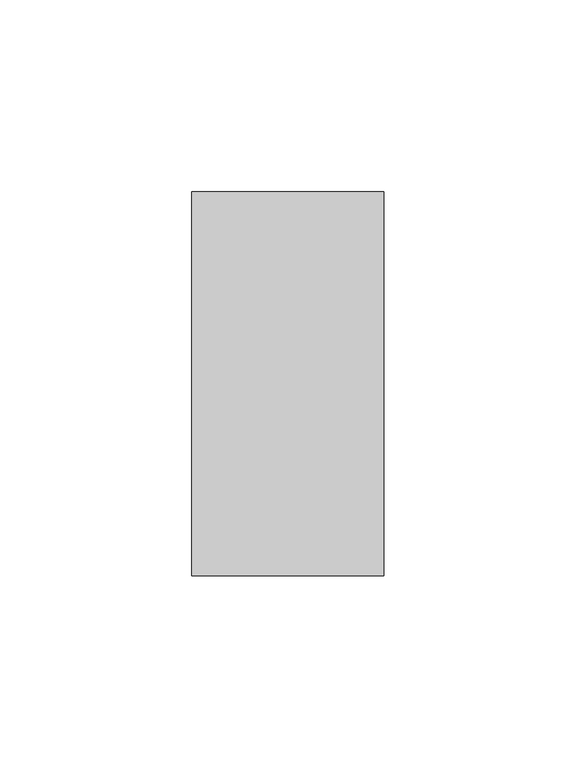
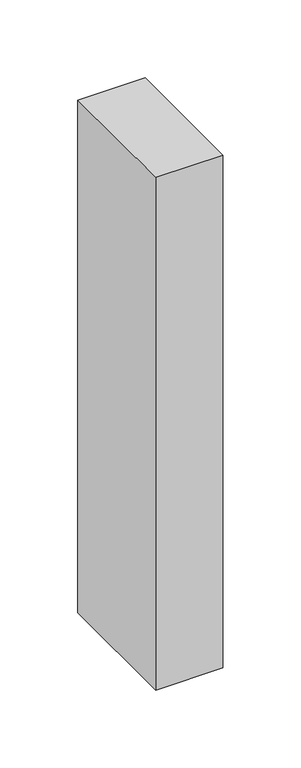
"""IFC4 building model written with IfcOpenShell, lengths in millimetres: member geometry."""

from ifc_helpers import new_model, si_unit, frame, origin, place, context, project, spatial, polyline, outline, extrude, source, transform, mapped, element, save


def member_275e1e26(model_context):
    return source(origin(), model_context, "Body", "SweptSolid", [
        extrude(outline(polyline([(25.0, 50.0), (25.0, -50.0), (-25.0, -50.0), (-25.0, 50.0), (25.0, 50.0)])), frame((0.0, 0.0, -402.3076923), z_axis=(0.0, 0.0, 1.0), x_axis=(1.0, 0.0, 0.0)), (0.0, 0.0, 1.0), 402.3076923),
    ])


if __name__ == "__main__":
    model = new_model("IFC4")
    model_context = context("Model", 3, world=origin())
    ifc_project = project(units=[si_unit("LENGTHUNIT", "METRE", prefix="MILLI")], contexts=[model_context])
    site = spatial("IfcSite", under=ifc_project)
    building = spatial("IfcBuilding", under=site)
    placement = place(None, origin())
    member_shape = member_275e1e26(model_context)
    element("IfcMember", 1, at=placement, inside=building, context=model_context, shape_type="MappedRepresentation", body=[
        mapped(member_shape, transform((0.0, 0.0, 0.0), x_axis=(1.0, 0.0, 0.0), y_axis=(0.0, 1.0, 0.0), z_axis=(0.0, 0.0, 1.0))),
    ])
    save(model, "model.ifc")
